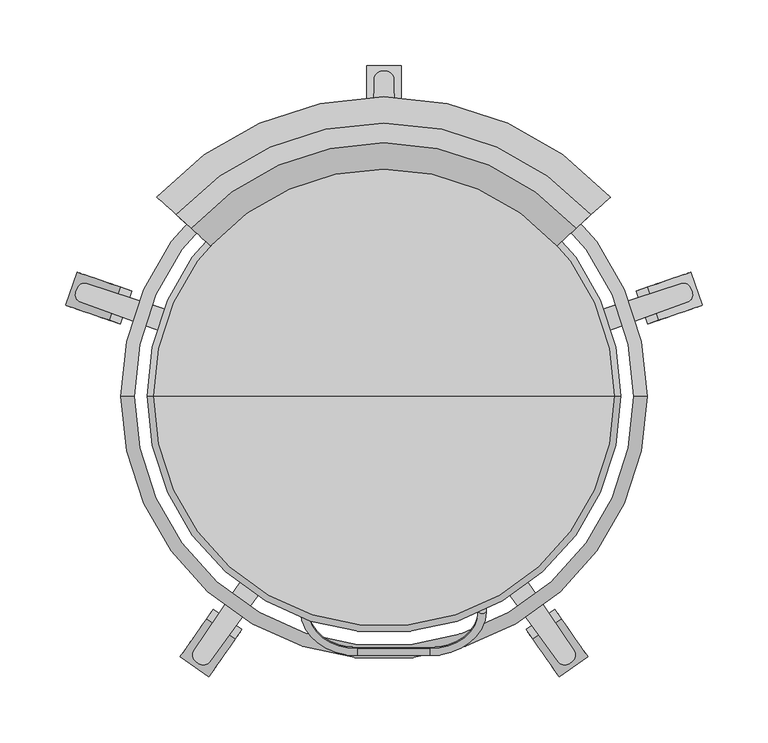
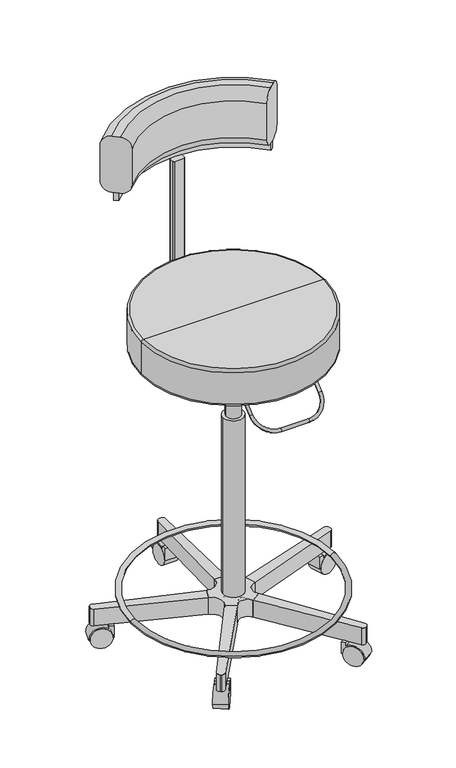
"""IFC4 building model written with IfcOpenShell, lengths in millimetres: proxy geometry."""

from ifc_helpers import new_model, si_unit, point, frame, frame_2d, origin, origin_2d, place, context, project, spatial, polyline, circle_curve, ellipse_curve, trimmed, segment, composite_curve, outline, extrude, source, transform, mapped, element, save
from ifc_brep_helpers import plane_surface, cylinder_surface, revolved_surface, advanced_brep


def specialty_equipment_98bc9a4a(model_context):
    return source(origin(), model_context, "Body", "SolidModel", [
        advanced_brep(
        [(190.0, 0.0, 83.2216441), (-190.0, 0.0, 83.2216441), (-200.0, 0.0, 83.2216441), (200.0, 0.0, 83.2216441)],
        [
            (0, 1, circle_curve(frame((0.0, 0.0, 83.2216441), z_axis=(0.0, 0.0, -1.0), x_axis=(-1.0, 0.0, 0.0)), 190.0)),
            (1, 2, circle_curve(frame((-195.0, 0.0, 83.2216441), z_axis=(0.0, -1.0, 0.0), x_axis=(1.0, 0.0, 0.0)), 5.0)),
            (2, 3, circle_curve(frame((0.0, 0.0, 83.2216441), z_axis=(0.0, 0.0, 1.0), x_axis=(-1.0, 0.0, 0.0)), 200.0)),
            (3, 0, circle_curve(frame((195.0, 0.0, 83.2216441), z_axis=(0.0, -1.0, 0.0), x_axis=(-1.0, 0.0, 0.0)), 5.0)),
            (2, 1, circle_curve(frame((-195.0, 0.0, 83.2216441), z_axis=(0.0, -1.0, 0.0), x_axis=(1.0, 0.0, 0.0)), 5.0)),
            (0, 3, circle_curve(frame((195.0, 0.0, 83.2216441), z_axis=(0.0, -1.0, 0.0), x_axis=(-1.0, 0.0, 0.0)), 5.0)),
            (1, 0, circle_curve(frame((0.0, 0.0, 83.2216441), z_axis=(0.0, 0.0, -1.0), x_axis=(1.0, 0.0, 0.0)), 190.0)),
            (3, 2, circle_curve(frame((0.0, 0.0, 83.2216441), z_axis=(0.0, 0.0, 1.0), x_axis=(1.0, 0.0, 0.0)), 200.0)),
        ],
        [
            revolved_surface(trimmed(ellipse_curve(frame((-195.0, 0.0, 83.2216441), z_axis=(0.0, 1.0, 0.0), x_axis=(1.0, 0.0, 0.0)), 5.0, 5.0), [point((-200.0, 0.0, 83.2216441))], [point((-190.0, 0.0, 83.2216441))], True, "CARTESIAN"), (0.0, 0.0, 0.0), (0.0, 0.0, 1.0)),
            revolved_surface(trimmed(ellipse_curve(frame((-195.0, 0.0, 83.2216441), z_axis=(0.0, 1.0, 0.0), x_axis=(1.0, 0.0, 0.0)), 5.0, 5.0), [point((-190.0, 0.0, 83.2216441))], [point((-200.0, 0.0, 83.2216441))], True, "CARTESIAN"), (0.0, 0.0, 0.0), (0.0, 0.0, 1.0)),
            revolved_surface(trimmed(ellipse_curve(frame((195.0, 0.0, 83.2216441), z_axis=(0.0, -1.0, 0.0), x_axis=(-1.0, 0.0, 0.0)), 5.0, 5.0), [point((200.0, 0.0, 83.2216441))], [point((190.0, 0.0, 83.2216441))], True, "CARTESIAN"), (0.0, 0.0, 0.0), (0.0, 0.0, 1.0)),
            revolved_surface(trimmed(ellipse_curve(frame((195.0, 0.0, 83.2216441), z_axis=(0.0, -1.0, 0.0), x_axis=(-1.0, 0.0, 0.0)), 5.0, 5.0), [point((190.0, 0.0, 83.2216441))], [point((200.0, 0.0, 83.2216441))], True, "CARTESIAN"), (0.0, 0.0, 0.0), (0.0, 0.0, 1.0)),
        ],
        [
            (0, [[1, 2, 3, 4]]),
            (1, [[-3, 5, -1, 6]]),
            (2, [[7, -4, 8, -2]]),
            (3, [[-8, -6, -7, -5]]),
        ],
    ),
        advanced_brep(
        [(-57.3078869, -129.1568135, 589.1037065), (-63.3078869, -129.1568135, 589.1037065), (-57.3078869, -163.6288135, 560.1782641), (-63.3078869, -163.6288135, 560.1782641), (-20.3078869, -196.5687245, 532.5383968), (-20.3078869, -191.9724579, 536.3951225), (34.6921131, -191.9724579, 536.3951225), (34.6921131, -196.5687245, 532.5383968), (77.6921131, -163.6288135, 560.1782641), (71.6921131, -163.6288135, 560.1782641), (71.6921131, -129.1568135, 589.1037065), (77.6921131, -129.1568135, 589.1037065)],
        [
            (0, 1, circle_curve(frame((-60.3078869, -129.1568135, 589.1037065), z_axis=(0.0, 0.7660444431189706, 0.6427876096865482), x_axis=(-1.0, 0.0, 0.0)), 3.0)),
            (1, 0, circle_curve(frame((-60.3078869, -129.1568135, 589.1037065), z_axis=(0.0, 0.7660444431189706, 0.6427876096865482), x_axis=(-1.0, 0.0, 0.0)), 3.0)),
            (0, 2),
            (2, 3, circle_curve(frame((-60.3078869, -163.6288135, 560.1782641), z_axis=(0.0, 0.7660444431189706, 0.6427876096865482), x_axis=(-1.0, 0.0, 0.0)), 3.0)),
            (3, 1),
            (3, 2, circle_curve(frame((-60.3078869, -163.6288135, 560.1782641), z_axis=(0.0, 0.7660444431189706, 0.6427876096865482), x_axis=(-1.0, 0.0, 0.0)), 3.0)),
            (4, 3, circle_curve(frame((-20.3078869, -163.6288135, 560.1782641), z_axis=(0.0, 0.6427876096865482, -0.7660444431189706), x_axis=(-1.0, 0.0, 0.0)), 43.0)),
            (2, 5, circle_curve(frame((-20.3078869, -163.6288135, 560.1782641), z_axis=(0.0, -0.6427876096865482, 0.7660444431189706), x_axis=(-1.0, 0.0, 0.0)), 37.0)),
            (5, 4, circle_curve(frame((-20.3078869, -194.2705912, 534.4667597), z_axis=(-1.0, 0.0, 0.0), x_axis=(0.0, -0.7660444431189706, -0.6427876096865482)), 3.0)),
            (4, 5, circle_curve(frame((-20.3078869, -194.2705912, 534.4667597), z_axis=(-1.0, 0.0, 0.0), x_axis=(0.0, -0.7660444431189706, -0.6427876096865482)), 3.0)),
            (5, 6),
            (6, 7, circle_curve(frame((34.6921131, -194.2705912, 534.4667597), z_axis=(-1.0, 0.0, 0.0), x_axis=(0.0, -0.7660444431189706, -0.6427876096865482)), 3.0)),
            (7, 4),
            (7, 6, circle_curve(frame((34.6921131, -194.2705912, 534.4667597), z_axis=(-1.0, 0.0, 0.0), x_axis=(0.0, -0.7660444431189706, -0.6427876096865482)), 3.0)),
            (8, 7, circle_curve(frame((34.6921131, -163.6288135, 560.1782641), z_axis=(0.0, 0.6427876096865482, -0.7660444431189706), x_axis=(0.0, -0.7660444431189706, -0.6427876096865482)), 43.0)),
            (6, 9, circle_curve(frame((34.6921131, -163.6288135, 560.1782641), z_axis=(0.0, -0.6427876096865482, 0.7660444431189706), x_axis=(0.0, -0.7660444431189706, -0.6427876096865482)), 37.0)),
            (9, 8, circle_curve(frame((74.6921131, -163.6288135, 560.1782641), z_axis=(0.0, -0.7660444431189706, -0.6427876096865482), x_axis=(1.0, 0.0, 0.0)), 3.0)),
            (8, 9, circle_curve(frame((74.6921131, -163.6288135, 560.1782641), z_axis=(0.0, -0.7660444431189706, -0.6427876096865482), x_axis=(1.0, 0.0, 0.0)), 3.0)),
            (10, 11, circle_curve(frame((74.6921131, -129.1568135, 589.1037065), z_axis=(0.0, 0.7660444431189706, 0.6427876096865484), x_axis=(1.0, 0.0, 0.0)), 3.0)),
            (11, 10, circle_curve(frame((74.6921131, -129.1568135, 589.1037065), z_axis=(0.0, 0.7660444431189706, 0.6427876096865484), x_axis=(1.0, 0.0, 0.0)), 3.0)),
            (9, 10),
            (11, 8),
        ],
        [
            plane_surface(frame((-60.3078869, -129.1568135, 589.1037065), z_axis=(0.0, 0.7660444431189706, 0.6427876096865482), x_axis=(0.0, -0.6427876096865482, 0.7660444431189706))),
            cylinder_surface(frame((-60.3078869, -129.1568135, 589.1037065), z_axis=(0.0, 0.7660444431189706, 0.6427876096865482), x_axis=(-1.0, 0.0, 0.0)), 3.0),
            revolved_surface(trimmed(ellipse_curve(frame((-60.3078869, -163.6288135, 560.1782641), z_axis=(0.0, 0.7660444431189706, 0.6427876096865482), x_axis=(-1.0, 0.0, 0.0)), 3.0, 3.0), [point((-57.3078869, -163.6288135, 560.1782641))], [point((-63.3078869, -163.6288135, 560.1782641))], True, "CARTESIAN"), (-20.3078869, -163.6288135, 560.1782641), (0.0, -0.6427876096865482, 0.7660444431189706)),
            revolved_surface(trimmed(ellipse_curve(frame((-60.3078869, -163.6288135, 560.1782641), z_axis=(0.0, 0.7660444431189706, 0.6427876096865482), x_axis=(-1.0, 0.0, 0.0)), 3.0, 3.0), [point((-63.3078869, -163.6288135, 560.1782641))], [point((-57.3078869, -163.6288135, 560.1782641))], True, "CARTESIAN"), (-20.3078869, -163.6288135, 560.1782641), (0.0, -0.6427876096865482, 0.7660444431189706)),
            cylinder_surface(frame((-20.3078869, -194.2705912, 534.4667597), z_axis=(-1.0, 0.0, 0.0), x_axis=(0.0, -0.7660444431189706, -0.6427876096865482)), 3.0),
            revolved_surface(trimmed(ellipse_curve(frame((34.6921131, -194.2705912, 534.4667597), z_axis=(-1.0, 0.0, 0.0), x_axis=(0.0, -0.7660444431189706, -0.6427876096865482)), 3.0, 3.0), [point((34.6921131, -191.9724579, 536.3951225))], [point((34.6921131, -196.5687245, 532.5383968))], True, "CARTESIAN"), (34.6921131, -163.6288135, 560.1782641), (0.0, -0.6427876096865482, 0.7660444431189706)),
            revolved_surface(trimmed(ellipse_curve(frame((34.6921131, -194.2705912, 534.4667597), z_axis=(-1.0, 0.0, 0.0), x_axis=(0.0, -0.7660444431189706, -0.6427876096865482)), 3.0, 3.0), [point((34.6921131, -196.5687245, 532.5383968))], [point((34.6921131, -191.9724579, 536.3951225))], True, "CARTESIAN"), (34.6921131, -163.6288135, 560.1782641), (0.0, -0.6427876096865482, 0.7660444431189706)),
            plane_surface(frame((74.6921131, -129.1568135, 589.1037065), z_axis=(0.0, 0.7660444431189706, 0.6427876096865482), x_axis=(0.0, -0.6427876096865482, 0.7660444431189706))),
            cylinder_surface(frame((74.6921131, -163.6288135, 560.1782641), z_axis=(0.0, -0.7660444431189706, -0.6427876096865484), x_axis=(1.0, 0.0, 0.0)), 3.0),
        ],
        [
            (0, [[1, 2]]),
            (1, [[-1, 3, 4, 5]]),
            (1, [[-2, -5, 6, -3]]),
            (2, [[7, -4, 8, 9]]),
            (3, [[-8, -6, -7, 10]]),
            (4, [[-9, 11, 12, 13]]),
            (4, [[-10, -13, 14, -11]]),
            (5, [[15, -12, 16, 17]]),
            (6, [[-16, -14, -15, 18]]),
            (7, [[19, 20]]),
            (8, [[-17, 21, -20, 22]]),
            (8, [[-18, -22, -19, -21]]),
        ],
    ),
        advanced_brep(
        [(-146.6849371, 127.8170725, 870.7932569), (-131.8847902, 114.3650967, 890.7932569), (-131.8847902, 114.3650967, 965.7932569), (-146.6849371, 127.8170725, 985.7932569), (-157.7850472, 137.9060544, 985.7932569), (-172.5851941, 151.3580302, 965.7932569), (-172.5851941, 151.3580302, 890.7932569), (-157.7850472, 137.9060544, 870.7932569), (146.2073508, 127.8170725, 870.7932569), (157.3074609, 137.9060544, 870.7932569), (172.1076078, 151.3580302, 890.7932569), (172.1076078, 151.3580302, 965.7932569), (157.3074609, 137.9060544, 985.7932569), (146.2073508, 127.8170725, 985.7932569), (131.4072039, 114.3650967, 965.7932569), (131.4072039, 114.3650967, 890.7932569)],
        [
            (0, 1, circle_curve(frame((-146.6849371, 127.8170725, 890.7932569), z_axis=(-0.6725987900633689, -0.7400073429401173, 0.0), x_axis=(0.7400073429401173, -0.6725987900633689, 0.0)), 20.0)),
            (1, 2),
            (2, 3, circle_curve(frame((-146.6849371, 127.8170725, 965.7932569), z_axis=(-0.6725987900633689, -0.7400073429401173, 0.0), x_axis=(0.7400073429401173, -0.6725987900633689, 0.0)), 20.0)),
            (3, 4),
            (4, 5, circle_curve(frame((-157.7850472, 137.9060544, 965.7932569), z_axis=(-0.6725987900633689, -0.7400073429401173, 0.0), x_axis=(0.7400073429401173, -0.6725987900633689, 0.0)), 20.0)),
            (5, 6),
            (6, 7, circle_curve(frame((-157.7850472, 137.9060544, 890.7932569), z_axis=(-0.6725987900633689, -0.7400073429401173, 0.0), x_axis=(0.7400073429401173, -0.6725987900633689, 0.0)), 20.0)),
            (7, 0),
            (8, 9),
            (9, 10, circle_curve(frame((157.3074609, 137.9060544, 890.7932569), z_axis=(0.6725987900633829, -0.7400073429401044, 0.0), x_axis=(-0.7400073429401044, -0.6725987900633829, 0.0)), 20.0)),
            (10, 11),
            (11, 12, circle_curve(frame((157.3074609, 137.9060544, 965.7932569), z_axis=(0.6725987900633829, -0.7400073429401044, 0.0), x_axis=(-0.7400073429401044, -0.6725987900633829, 0.0)), 20.0)),
            (12, 13),
            (13, 14, circle_curve(frame((146.2073508, 127.8170725, 965.7932569), z_axis=(0.6725987900633829, -0.7400073429401044, 0.0), x_axis=(-0.7400073429401044, -0.6725987900633829, 0.0)), 20.0)),
            (14, 15),
            (15, 8, circle_curve(frame((146.2073508, 127.8170725, 890.7932569), z_axis=(0.6725987900633829, -0.7400073429401044, 0.0), x_axis=(-0.7400073429401044, -0.6725987900633829, 0.0)), 20.0)),
            (14, 2, circle_curve(frame((-0.2387932, -5.2890381, 965.7932569), z_axis=(0.0, 0.0, 1.0), x_axis=(-0.7400073429401173, 0.6725987900633689, 0.0)), 177.8982308)),
            (1, 15, circle_curve(frame((-0.2387932, -5.2890381, 890.7932569), z_axis=(0.0, 0.0, -1.0), x_axis=(-0.7400073429401173, 0.6725987900633689, 0.0)), 177.8982308)),
            (12, 4, circle_curve(frame((-0.2387932, -5.2890381, 985.7932569), z_axis=(0.0, 0.0, 1.0), x_axis=(-0.7400073429401173, 0.6725987900633689, 0.0)), 212.8982308)),
            (3, 13, circle_curve(frame((-0.2387932, -5.2890381, 985.7932569), z_axis=(0.0, 0.0, -1.0), x_axis=(-0.7400073429401173, 0.6725987900633689, 0.0)), 197.8982308)),
            (10, 6, circle_curve(frame((-0.2387932, -5.2890381, 890.7932569), z_axis=(0.0, 0.0, 1.0), x_axis=(-0.7400073429401173, 0.6725987900633689, 0.0)), 232.8982308)),
            (5, 11, circle_curve(frame((-0.2387932, -5.2890381, 965.7932569), z_axis=(0.0, 0.0, -1.0), x_axis=(-0.7400073429401173, 0.6725987900633689, 0.0)), 232.8982308)),
            (8, 0, circle_curve(frame((-0.2387932, -5.2890381, 870.7932569), z_axis=(0.0, 0.0, 1.0), x_axis=(-0.7400073429401173, 0.6725987900633689, 0.0)), 197.8982308)),
            (7, 9, circle_curve(frame((-0.2387932, -5.2890381, 870.7932569), z_axis=(0.0, 0.0, -1.0), x_axis=(-0.7400073429401173, 0.6725987900633689, 0.0)), 212.8982308)),
        ],
        [
            plane_surface(frame((-150.2387932, 131.0472017, 854.5432569), z_axis=(-0.6725987900633689, -0.7400073429401173, 0.0), x_axis=(0.0, 0.0, 1.0))),
            plane_surface(frame((149.7612068, 131.0472017, 854.5432569), z_axis=(0.672598790063383, -0.7400073429401045, 0.0), x_axis=(0.0, 0.0, 1.0))),
            revolved_surface(polyline([(-131.88479028805574, 114.36509669049394, 890.7932569), (-131.88479028805574, 114.36509669049394, 965.7932569)]), (-0.2387932, -5.2890381, 854.5432569), (0.0, 0.0, -1.0)),
            plane_surface(frame((-0.2387932, -5.2890381, 985.7932569), z_axis=(0.0, 0.0, 1.0), x_axis=(-0.7400073429401173, 0.6725987900633689, 0.0))),
            cylinder_surface(frame((-0.2387932, -5.2890381, 854.5432569), z_axis=(0.0, 0.0, -1.0), x_axis=(-0.7400073429401173, 0.6725987900633689, 0.0)), 232.8982308),
            plane_surface(frame((-0.2387932, -5.2890381, 870.7932569), z_axis=(0.0, 0.0, -1.0), x_axis=(-0.7400073429401173, 0.6725987900633689, 0.0))),
            revolved_surface(trimmed(ellipse_curve(frame((-146.6849371, 127.8170725, 890.7932569), z_axis=(-0.6725987900633689, -0.7400073429401173, 0.0), x_axis=(0.7400073429401173, -0.6725987900633689, 0.0)), 20.0, 20.0), [point((-146.6849371, 127.8170725, 870.7932569))], [point((-131.8847902, 114.3650967, 890.7932569))], True, "CARTESIAN"), (-0.2387932, -5.2890381, 854.5432569), (0.0, 0.0, -1.0)),
            revolved_surface(trimmed(ellipse_curve(frame((-146.6849371, 127.8170725, 965.7932569), z_axis=(-0.6725987900633689, -0.7400073429401173, 0.0), x_axis=(0.7400073429401173, -0.6725987900633689, 0.0)), 20.0, 20.0), [point((-131.8847902, 114.3650967, 965.7932569))], [point((-146.6849371, 127.8170725, 985.7932569))], True, "CARTESIAN"), (-0.2387932, -5.2890381, 854.5432569), (0.0, 0.0, -1.0)),
            revolved_surface(trimmed(ellipse_curve(frame((-157.7850472, 137.9060544, 965.7932569), z_axis=(-0.6725987900633689, -0.7400073429401173, 0.0), x_axis=(0.7400073429401173, -0.6725987900633689, 0.0)), 20.0, 20.0), [point((-157.7850472, 137.9060544, 985.7932569))], [point((-172.5851941, 151.3580302, 965.7932569))], True, "CARTESIAN"), (-0.2387932, -5.2890381, 854.5432569), (0.0, 0.0, -1.0)),
            revolved_surface(trimmed(ellipse_curve(frame((-157.7850472, 137.9060544, 890.7932569), z_axis=(-0.6725987900633689, -0.7400073429401173, 0.0), x_axis=(0.7400073429401173, -0.6725987900633689, 0.0)), 20.0, 20.0), [point((-172.5851941, 151.3580302, 890.7932569))], [point((-157.7850472, 137.9060544, 870.7932569))], True, "CARTESIAN"), (-0.2387932, -5.2890381, 854.5432569), (0.0, 0.0, -1.0)),
        ],
        [
            (0, [[1, 2, 3, 4, 5, 6, 7, 8]]),
            (1, [[9, 10, 11, 12, 13, 14, 15, 16]]),
            (2, [[17, -2, 18, -15]]),
            (3, [[19, -4, 20, -13]]),
            (4, [[21, -6, 22, -11]]),
            (5, [[23, -8, 24, -9]]),
            (6, [[-18, -1, -23, -16]]),
            (7, [[-20, -3, -17, -14]]),
            (8, [[-22, -5, -19, -12]]),
            (9, [[-24, -7, -21, -10]]),
        ],
    ),
        extrude(outline(composite_curve([segment(trimmed(circle_curve(frame_2d((-0.2387932, -5.2890381)), 201.1561023), [point((148.6181996, 130.008313))], [point((-149.0957859, 130.008313))], True, "CARTESIAN"), True, "CONTINUOUS"), segment(polyline([(-149.0957859, 130.008313), (-155.1083456, 135.4731781)]), True, "CONTINUOUS"), segment(trimmed(circle_curve(frame_2d((-0.2387932, -5.2890381)), 209.2811023), [point((-155.1083456, 135.4731781))], [point((154.6307593, 135.4731781))], False, "CARTESIAN"), True, "CONTINUOUS"), segment(polyline([(154.6307593, 135.4731781), (148.6181996, 130.008313)]), True, "CONTINUOUS")], self_intersect=False)), frame((0.0, 0.0, 854.5432569), z_axis=(0.0, 0.0, 1.0), x_axis=(1.0, 0.0, 0.0)), (0.0, 0.0, 1.0), 16.25),
        extrude(outline(composite_curve([segment(trimmed(circle_curve(frame_2d((9.6400791, 193.430857)), 2.0), [point((9.6400791, 195.430857))], [point((11.6400791, 193.430857))], False, "CARTESIAN"), True, "CONTINUOUS"), segment(polyline([(11.6400791, 193.430857), (11.6400791, 184.8763872)]), True, "CONTINUOUS"), segment(trimmed(circle_curve(frame_2d((9.6400791, 184.8763872)), 2.0), [point((11.6400791, 184.8763872))], [point((9.6400791, 182.8763872))], False, "CARTESIAN"), True, "CONTINUOUS"), segment(polyline([(9.6400791, 182.8763872), (-9.5866196, 182.8763872)]), True, "CONTINUOUS"), segment(trimmed(circle_curve(frame_2d((-9.5866196, 184.8763872)), 2.0), [point((-9.5866196, 182.8763872))], [point((-11.5866196, 184.8763872))], False, "CARTESIAN"), True, "CONTINUOUS"), segment(polyline([(-11.5866196, 184.8763872), (-11.5866196, 193.430857)]), True, "CONTINUOUS"), segment(trimmed(circle_curve(frame_2d((-9.5866196, 193.430857)), 2.0), [point((-11.5866196, 193.430857))], [point((-9.5866196, 195.430857))], False, "CARTESIAN"), True, "CONTINUOUS"), segment(polyline([(-9.5866196, 195.430857), (9.6400791, 195.430857)]), True, "CONTINUOUS")], self_intersect=False)), frame((0.0, 0.0, 452.5156023), z_axis=(0.0, 0.0, 1.0), x_axis=(1.0, 0.0, 0.0)), (0.0, 0.0, 1.0), 402.0276546),
        extrude(outline(composite_curve([segment(polyline([(42.460883, 173.7096851), (-42.539117, 173.7096851)]), True, "CONTINUOUS"), segment(trimmed(circle_curve(frame_2d((-0.039117, 147.4570861)), 49.9544689), [point((-42.539117, 173.7096851))], [point((42.460883, 173.7096851))], False, "CARTESIAN"), True, "CONTINUOUS")], self_intersect=False)), frame((0.0, 0.0, 595.4971105), z_axis=(0.0, 0.0, 1.0), x_axis=(1.0, 0.0, 0.0)), (0.0, 0.0, 1.0), 34.7792858),
        advanced_brep(
        [(0.0, 0.0, 658.0685313), (175.0, 0.0, 658.0685313), (-175.0, 0.0, 658.0685313), (-175.0, 0.0, 583.0685313), (175.0, 0.0, 583.0685313), (0.0, 0.0, 583.0685313), (-180.0, 0.0, 588.0685313), (180.0, 0.0, 588.0685313), (-180.0, 0.0, 653.0685313), (180.0, 0.0, 653.0685313)],
        [
            (0, 1),
            (1, 2, circle_curve(frame((0.0, 0.0, 658.0685313), z_axis=(0.0, 0.0, 1.0), x_axis=(1.0, 0.0, 0.0)), 175.0)),
            (2, 0),
            (2, 1, circle_curve(frame((0.0, 0.0, 658.0685313), z_axis=(0.0, 0.0, 1.0), x_axis=(1.0, 0.0, 0.0)), 175.0)),
            (3, 4, circle_curve(frame((0.0, 0.0, 583.0685313), z_axis=(0.0, 0.0, -1.0), x_axis=(1.0, 0.0, 0.0)), 175.0)),
            (4, 5),
            (5, 3),
            (4, 3, circle_curve(frame((0.0, 0.0, 583.0685313), z_axis=(0.0, 0.0, -1.0), x_axis=(1.0, 0.0, 0.0)), 175.0)),
            (6, 7, circle_curve(frame((0.0, 0.0, 588.0685313), z_axis=(0.0, 0.0, -1.0), x_axis=(1.0, 0.0, 0.0)), 180.0)),
            (7, 4, circle_curve(frame((175.0, 0.0, 588.0685313), z_axis=(0.0, 1.0, 0.0), x_axis=(1.0, 0.0, 0.0)), 5.0)),
            (3, 6, circle_curve(frame((-175.0, 0.0, 588.0685313), z_axis=(0.0, 1.0, 0.0), x_axis=(-1.0, 0.0, 0.0)), 5.0)),
            (7, 6, circle_curve(frame((0.0, 0.0, 588.0685313), z_axis=(0.0, 0.0, -1.0), x_axis=(1.0, 0.0, 0.0)), 180.0)),
            (8, 9, circle_curve(frame((0.0, 0.0, 653.0685313), z_axis=(0.0, 0.0, -1.0), x_axis=(1.0, 0.0, 0.0)), 180.0)),
            (9, 7),
            (6, 8),
            (9, 8, circle_curve(frame((0.0, 0.0, 653.0685313), z_axis=(0.0, 0.0, -1.0), x_axis=(1.0, 0.0, 0.0)), 180.0)),
            (1, 9, circle_curve(frame((175.0, 0.0, 653.0685313), z_axis=(0.0, 1.0, 0.0), x_axis=(1.0, 0.0, 0.0)), 5.0)),
            (8, 2, circle_curve(frame((-175.0, 0.0, 653.0685313), z_axis=(0.0, 1.0, 0.0), x_axis=(-1.0, 0.0, 0.0)), 5.0)),
        ],
        [
            plane_surface(frame((0.0, 0.0, 658.0685313), z_axis=(0.0, 0.0, 1.0), x_axis=(1.0, 0.0, 0.0))),
            plane_surface(frame((0.0, 0.0, 583.0685313), z_axis=(0.0, 0.0, -1.0), x_axis=(1.0, 0.0, 0.0))),
            revolved_surface(trimmed(ellipse_curve(frame((175.0, 0.0, 588.0685313), z_axis=(0.0, -1.0, 0.0), x_axis=(1.0, 0.0, 0.0)), 5.0, 5.0), [point((175.0, 0.0, 583.0685313))], [point((180.0, 0.0, 588.0685313))], True, "CARTESIAN"), (0.0, 0.0, 625.0), (0.0, 0.0, 1.0)),
            cylinder_surface(frame((0.0, 0.0, 625.0), z_axis=(0.0, 0.0, 1.0), x_axis=(1.0, 0.0, 0.0)), 180.0),
            revolved_surface(trimmed(ellipse_curve(frame((175.0, 0.0, 653.0685313), z_axis=(0.0, -1.0, 0.0), x_axis=(1.0, 0.0, 0.0)), 5.0, 5.0), [point((180.0, 0.0, 653.0685313))], [point((175.0, 0.0, 658.0685313))], True, "CARTESIAN"), (0.0, 0.0, 625.0), (0.0, 0.0, 1.0)),
        ],
        [
            (0, [[1, 2, 3]]),
            (0, [[-3, 4, -1]]),
            (1, [[5, 6, 7]]),
            (1, [[8, -7, -6]]),
            (2, [[9, 10, -5, 11]]),
            (2, [[12, -11, -8, -10]]),
            (3, [[13, 14, -9, 15]]),
            (3, [[16, -15, -12, -14]]),
            (4, [[-2, 17, -13, 18]]),
            (4, [[-4, -18, -16, -17]]),
        ],
    ),
        extrude(outline(composite_curve([segment(trimmed(circle_curve(frame_2d((0.0, -49.041462)), 17.3049723), [point((14.8813062, -40.2092034))], [point((-14.8813062, -40.2092034))], True, "CARTESIAN"), True, "CONTINUOUS"), segment(polyline([(-14.8813062, -40.2092034), (-33.6100474, -29.0934396)]), True, "CONTINUOUS"), segment(trimmed(circle_curve(frame_2d((-53.2602545, -17.3246535)), 22.9049113), [point((-33.6100474, -29.0934396))], [point((-45.8364188, 4.3437942))], True, "CARTESIAN"), True, "CONTINUOUS"), segment(polyline([(-45.8364188, 4.3437942), (-38.4346346, 24.6800291)]), True, "CONTINUOUS"), segment(trimmed(circle_curve(frame_2d((-31.3668163, 44.0075873)), 20.5793237), [point((-38.4346346, 24.6800291))], [point((-10.8114355, 45.0))], True, "CARTESIAN"), True, "CONTINUOUS"), segment(polyline([(-10.8114355, 45.0), (10.8114355, 45.0)]), True, "CONTINUOUS"), segment(trimmed(circle_curve(frame_2d((30.4630363, 42.8691467)), 19.7667891), [point((10.8114355, 45.0))], [point((36.9732792, 24.2052059))], True, "CARTESIAN"), True, "CONTINUOUS"), segment(polyline([(36.9732792, 24.2052059), (44.3934042, 3.8185798)]), True, "CONTINUOUS"), segment(trimmed(circle_curve(frame_2d((48.7151487, -15.857226)), 20.1448457), [point((44.3934042, 3.8185798))], [point((32.7571362, -28.1518039))], True, "CARTESIAN"), True, "CONTINUOUS"), segment(polyline([(32.7571362, -28.1518039), (14.8813062, -40.2092034)]), True, "CONTINUOUS")], self_intersect=False)), frame((0.0, 0.0, 43.6420984), z_axis=(0.0, 0.0, 1.0), x_axis=(1.0, 0.0, 0.0)), (0.0, 0.0, 1.0), 34.5795457),
        extrude(outline(composite_curve([segment(polyline([(0.0, 0.0), (0.0, -1.9999999), (-24.007578, -1.9999999), (-24.007578, 6.8277259), (-17.6207604, 6.8277259)]), True, "CONTINUOUS"), segment(trimmed(circle_curve(frame_2d((0.0, 20.0)), 22.0), [point((-17.6207604, 6.8277259))], [point((0.0, 42.0))], False, "CARTESIAN"), True, "CONTINUOUS"), segment(polyline([(0.0, 42.0), (0.0, 40.0)]), True, "CONTINUOUS"), segment(trimmed(circle_curve(frame_2d((0.0, 20.0)), 20.0), [point((0.0, 40.0))], [point((0.0, 0.0))], True, "CARTESIAN"), True, "CONTINUOUS")], self_intersect=False)), frame((-202.2328234, 55.5882942, 19.6345204), z_axis=(0.3255681544571631, 0.9455185755993146, 0.0), x_axis=(0.0, 0.0, -1.0)), (0.0, 0.0, 1.0), 26.5616047),
        extrude(outline(composite_curve([segment(trimmed(circle_curve(frame_2d((0.0, -20.0)), 20.0), [point((0.0, -40.0))], [point((0.0, 0.0))], False, "CARTESIAN"), True, "CONTINUOUS"), segment(trimmed(circle_curve(frame_2d((0.0, -20.0)), 20.0), [point((0.0, 0.0))], [point((0.0, -40.0))], False, "CARTESIAN"), True, "CONTINUOUS")], self_intersect=False)), frame((-202.2328234, 55.5882942, 19.6345204), z_axis=(0.3255681544571631, 0.9455185755993146, 0.0), x_axis=(0.0, 0.0, 1.0)), (0.0, 0.0, 1.0), 26.5616047),
        extrude(outline(composite_curve([segment(polyline([(0.0, 0.0), (0.0, -2.0), (-24.007578, -2.0), (-24.007578, 6.827726), (-17.6207604, 6.827726)]), True, "CONTINUOUS"), segment(trimmed(circle_curve(frame_2d((0.0, 20.0)), 22.0), [point((-17.6207604, 6.827726))], [point((0.0, 42.0))], False, "CARTESIAN"), True, "CONTINUOUS"), segment(polyline([(0.0, 42.0), (0.0, 40.0)]), True, "CONTINUOUS"), segment(trimmed(circle_curve(frame_2d((0.0, 20.0)), 20.0), [point((0.0, 40.0))], [point((0.0, 0.0))], True, "CARTESIAN"), True, "CONTINUOUS")], self_intersect=False)), frame((-109.1778187, -179.0764564, 19.6345204), z_axis=(-0.8191520442889908, 0.5735764363510476, 0.0), x_axis=(0.0, 0.0, -1.0)), (0.0, 0.0, 1.0), 26.5616047),
        extrude(outline(composite_curve([segment(trimmed(circle_curve(frame_2d((0.0, -20.0)), 20.0), [point((0.0, -40.0))], [point((0.0, 0.0))], False, "CARTESIAN"), True, "CONTINUOUS"), segment(trimmed(circle_curve(frame_2d((0.0, -20.0)), 20.0), [point((0.0, 0.0))], [point((0.0, -40.0))], False, "CARTESIAN"), True, "CONTINUOUS")], self_intersect=False)), frame((-109.1778187, -179.0764564, 19.6345204), z_axis=(-0.8191520442889908, 0.5735764363510476, 0.0), x_axis=(0.0, 0.0, 1.0)), (0.0, 0.0, 1.0), 26.5616047),
        extrude(outline(composite_curve([segment(trimmed(circle_curve(frame_2d((0.0, 20.0)), 20.0), [point((0.0, 0.0))], [point((0.0, 40.0))], True, "CARTESIAN"), True, "CONTINUOUS"), segment(polyline([(0.0, 40.0), (0.0, 42.0)]), True, "CONTINUOUS"), segment(trimmed(circle_curve(frame_2d((0.0, 20.0)), 22.0), [point((0.0, 42.0))], [point((17.6207604, 6.827726))], False, "CARTESIAN"), True, "CONTINUOUS"), segment(polyline([(17.6207604, 6.827726), (24.007578, 6.827726), (24.007578, -2.0), (0.0, -2.0), (0.0, 0.0)]), True, "CONTINUOUS")], self_intersect=False)), frame((109.1778187, -179.0764564, 19.6345204), z_axis=(0.8191520442889937, 0.5735764363510435, 0.0), x_axis=(0.0, 0.0, 1.0)), (0.0, 0.0, 1.0), 26.5616047),
        extrude(outline(composite_curve([segment(trimmed(circle_curve(frame_2d((0.0, -20.0)), 20.0), [point((0.0, -40.0))], [point((0.0, 0.0))], False, "CARTESIAN"), True, "CONTINUOUS"), segment(trimmed(circle_curve(frame_2d((0.0, -20.0)), 20.0), [point((0.0, 0.0))], [point((0.0, -40.0))], False, "CARTESIAN"), True, "CONTINUOUS")], self_intersect=False)), frame((109.1778187, -179.0764564, 19.6345204), z_axis=(0.8191520442889937, 0.5735764363510435, 0.0), x_axis=(0.0, 0.0, -1.0)), (0.0, 0.0, 1.0), 26.5616047),
        extrude(outline(composite_curve([segment(trimmed(circle_curve(frame_2d((0.0, 20.0)), 20.0), [point((0.0, 0.0))], [point((0.0, 40.0))], True, "CARTESIAN"), True, "CONTINUOUS"), segment(polyline([(0.0, 40.0), (0.0, 42.0)]), True, "CONTINUOUS"), segment(trimmed(circle_curve(frame_2d((0.0, 20.0)), 22.0), [point((0.0, 42.0))], [point((17.6207604, 6.8277259))], False, "CARTESIAN"), True, "CONTINUOUS"), segment(polyline([(17.6207604, 6.8277259), (24.007578, 6.8277259), (24.007578, -1.9999999), (0.0, -1.9999999), (0.0, 0.0)]), True, "CONTINUOUS")], self_intersect=False)), frame((202.2328234, 55.5882942, 19.6345204), z_axis=(-0.32556815445715237, 0.9455185755993184, 0.0), x_axis=(0.0, 0.0, 1.0)), (0.0, 0.0, 1.0), 26.5616047),
        extrude(outline(composite_curve([segment(trimmed(circle_curve(frame_2d((0.0, -20.0)), 20.0), [point((0.0, -40.0))], [point((0.0, 0.0))], False, "CARTESIAN"), True, "CONTINUOUS"), segment(trimmed(circle_curve(frame_2d((0.0, -20.0)), 20.0), [point((0.0, 0.0))], [point((0.0, -40.0))], False, "CARTESIAN"), True, "CONTINUOUS")], self_intersect=False)), frame((202.2328234, 55.5882942, 19.6345204), z_axis=(-0.32556815445715237, 0.9455185755993184, 0.0), x_axis=(0.0, 0.0, -1.0)), (0.0, 0.0, 1.0), 26.5616047),
        extrude(outline(composite_curve([segment(polyline([(209.3126695, 19.6345204), (207.3126695, 19.6345204), (207.3126695, 43.6420984), (216.1403954, 43.6420984), (216.1403954, 37.2552808)]), True, "CONTINUOUS"), segment(trimmed(circle_curve(frame_2d((229.3126695, 19.6345204)), 22.0), [point((216.1403954, 37.2552808))], [point((251.3126695, 19.6345204))], False, "CARTESIAN"), True, "CONTINUOUS"), segment(polyline([(251.3126695, 19.6345204), (249.3126695, 19.6345204)]), True, "CONTINUOUS"), segment(trimmed(circle_curve(frame_2d((229.3126695, 19.6345204)), 20.0), [point((249.3126695, 19.6345204))], [point((209.3126695, 19.6345204))], True, "CARTESIAN"), True, "CONTINUOUS")], self_intersect=False)), frame((-13.2808024, 0.0, 0.0), z_axis=(1.0, 0.0, 0.0), x_axis=(0.0, 1.0, 0.0)), (0.0, 0.0, 1.0), 26.5616047),
        extrude(outline(composite_curve([segment(trimmed(circle_curve(frame_2d((229.3126695, 19.6345204)), 20.0), [point((249.3126695, 19.6345204))], [point((209.3126695, 19.6345204))], False, "CARTESIAN"), True, "CONTINUOUS"), segment(trimmed(circle_curve(frame_2d((229.3126695, 19.6345204)), 20.0), [point((209.3126695, 19.6345204))], [point((249.3126695, 19.6345204))], False, "CARTESIAN"), True, "CONTINUOUS")], self_intersect=False)), frame((-13.2808024, 0.0, 0.0), z_axis=(1.0, 0.0, 0.0), x_axis=(0.0, 1.0, 0.0)), (0.0, 0.0, 1.0), 26.5616047),
        extrude(outline(composite_curve([segment(polyline([(-11.2307963, 20.9748389), (-7.3833086, 241.3972623)]), True, "CONTINUOUS"), segment(trimmed(circle_curve(frame_2d((-1.3842224, 241.2925478)), 6.0), [point((-7.3833086, 241.3972623))], [point((-1.3842224, 247.2925478))], False, "CARTESIAN"), True, "CONTINUOUS"), segment(polyline([(-1.3842224, 247.2925478), (1.3842224, 247.2925478)]), True, "CONTINUOUS"), segment(trimmed(circle_curve(frame_2d((1.3842224, 241.2925478)), 6.0), [point((1.3842224, 247.2925478))], [point((7.3833086, 241.3972623))], False, "CARTESIAN"), True, "CONTINUOUS"), segment(polyline([(7.3833086, 241.3972623), (11.2307963, 20.9748389)]), True, "CONTINUOUS"), segment(trimmed(circle_curve(origin_2d(), 23.7923234), [point((11.2307963, 20.9748389))], [point((16.1757102, 17.4476661))], False, "CARTESIAN"), True, "CONTINUOUS"), segment(polyline([(16.1757102, 17.4476661), (225.8418254, 85.5723166)]), True, "CONTINUOUS"), segment(trimmed(circle_curve(frame_2d((227.6959274, 79.8659775)), 6.0), [point((225.8418254, 85.5723166))], [point((233.3690389, 81.8193864))], False, "CARTESIAN"), True, "CONTINUOUS"), segment(polyline([(233.3690389, 81.8193864), (234.2703563, 79.2017704)]), True, "CONTINUOUS"), segment(trimmed(circle_curve(frame_2d((228.5972449, 77.2483615)), 6.0), [point((234.2703563, 79.2017704))], [point((230.6493657, 71.6102058))], False, "CARTESIAN"), True, "CONTINUOUS"), segment(polyline([(230.6493657, 71.6102058), (23.4884894, -3.7901869)]), True, "CONTINUOUS"), segment(trimmed(circle_curve(origin_2d(), 23.7923234), [point((23.4884894, -3.7901869))], [point((21.2304031, -10.7398621))], False, "CARTESIAN"), True, "CONTINUOUS"), segment(polyline([(21.2304031, -10.7398621), (144.5078337, -193.5061691)]), True, "CONTINUOUS"), segment(trimmed(circle_curve(frame_2d((139.5336083, -196.8613265)), 6.0), [point((144.5078337, -193.5061691))], [point((142.9750669, -201.7762388))], False, "CARTESIAN"), True, "CONTINUOUS"), segment(polyline([(142.9750669, -201.7762388), (140.7072897, -203.3641534)]), True, "CONTINUOUS"), segment(trimmed(circle_curve(frame_2d((137.2658311, -198.4492412)), 6.0), [point((140.7072897, -203.3641534))], [point((132.4117291, -201.9759527))], False, "CARTESIAN"), True, "CONTINUOUS"), segment(polyline([(132.4117291, -201.9759527), (2.8309436, -23.6233023)]), True, "CONTINUOUS"), segment(trimmed(circle_curve(origin_2d(), 23.7923234), [point((2.8309436, -23.6233023))], [point((-2.8309436, -23.6233023))], False, "CARTESIAN"), True, "CONTINUOUS"), segment(polyline([(-2.8309436, -23.6233023), (-132.4117291, -201.9759527)]), True, "CONTINUOUS"), segment(trimmed(circle_curve(frame_2d((-137.2658311, -198.4492412)), 6.0), [point((-132.4117291, -201.9759527))], [point((-140.7072897, -203.3641534))], False, "CARTESIAN"), True, "CONTINUOUS"), segment(polyline([(-140.7072897, -203.3641534), (-142.9750669, -201.7762388)]), True, "CONTINUOUS"), segment(trimmed(circle_curve(frame_2d((-139.5336083, -196.8613265)), 6.0), [point((-142.9750669, -201.7762388))], [point((-144.5078337, -193.5061691))], False, "CARTESIAN"), True, "CONTINUOUS"), segment(polyline([(-144.5078337, -193.5061691), (-21.2304031, -10.7398621)]), True, "CONTINUOUS"), segment(trimmed(circle_curve(origin_2d(), 23.7923234), [point((-21.2304031, -10.7398621))], [point((-23.4884894, -3.7901869))], False, "CARTESIAN"), True, "CONTINUOUS"), segment(polyline([(-23.4884894, -3.7901869), (-230.6493657, 71.6102058)]), True, "CONTINUOUS"), segment(trimmed(circle_curve(frame_2d((-228.5972449, 77.2483615)), 6.0), [point((-230.6493657, 71.6102058))], [point((-234.2703563, 79.2017704))], False, "CARTESIAN"), True, "CONTINUOUS"), segment(polyline([(-234.2703563, 79.2017704), (-233.3690389, 81.8193864)]), True, "CONTINUOUS"), segment(trimmed(circle_curve(frame_2d((-227.6959274, 79.8659775)), 6.0), [point((-233.3690389, 81.8193864))], [point((-225.8418254, 85.5723166))], False, "CARTESIAN"), True, "CONTINUOUS"), segment(polyline([(-225.8418254, 85.5723166), (-16.1757102, 17.4476661)]), True, "CONTINUOUS"), segment(trimmed(circle_curve(origin_2d(), 23.7923234), [point((-16.1757102, 17.4476661))], [point((-11.2307963, 20.9748389))], False, "CARTESIAN"), True, "CONTINUOUS")], self_intersect=False)), frame((0.0, 0.0, 43.6420984), z_axis=(0.0, 0.0, 1.0), x_axis=(1.0, 0.0, 0.0)), (0.0, 0.0, 1.0), 34.5795457),
        extrude(outline(composite_curve([segment(trimmed(circle_curve(origin_2d(), 20.0), [point((-20.0, 0.0))], [point((20.0, 0.0))], False, "CARTESIAN"), True, "CONTINUOUS"), segment(trimmed(circle_curve(origin_2d(), 20.0), [point((20.0, 0.0))], [point((-20.0, 0.0))], False, "CARTESIAN"), True, "CONTINUOUS")], self_intersect=False)), frame((0.0, 0.0, 78.2216441), z_axis=(0.0, 0.0, 1.0), x_axis=(1.0, 0.0, 0.0)), (0.0, 0.0, 1.0), 363.7074388),
        extrude(outline(composite_curve([segment(trimmed(circle_curve(origin_2d(), 14.0), [point((-14.0, 0.0))], [point((14.0, 0.0))], False, "CARTESIAN"), True, "CONTINUOUS"), segment(trimmed(circle_curve(origin_2d(), 14.0), [point((14.0, 0.0))], [point((-14.0, 0.0))], False, "CARTESIAN"), True, "CONTINUOUS")], self_intersect=False)), frame((0.0, 0.0, 441.9290829), z_axis=(0.0, 0.0, 1.0), x_axis=(1.0, 0.0, 0.0)), (0.0, 0.0, 1.0), 145.2638216),
    ])


if __name__ == "__main__":
    model = new_model("IFC4")
    model_context = context("Model", 3, world=origin())
    ifc_project = project(units=[si_unit("LENGTHUNIT", "METRE", prefix="MILLI")], contexts=[model_context])
    site = spatial("IfcSite", under=ifc_project)
    building = spatial("IfcBuilding", under=site)
    placement = place(None, origin())
    specialty_equipment_shape = specialty_equipment_98bc9a4a(model_context)
    element("IfcBuildingElementProxy", 1, Name="Specialty Equipment", at=placement, inside=building, context=model_context, shape_type="MappedRepresentation", body=[
        mapped(specialty_equipment_shape, transform((0.0, 0.0, 0.0), x_axis=(1.0, 0.0, 0.0), y_axis=(0.0, 1.0, 0.0), z_axis=(0.0, 0.0, 1.0))),
    ])
    save(model, "model.ifc")
